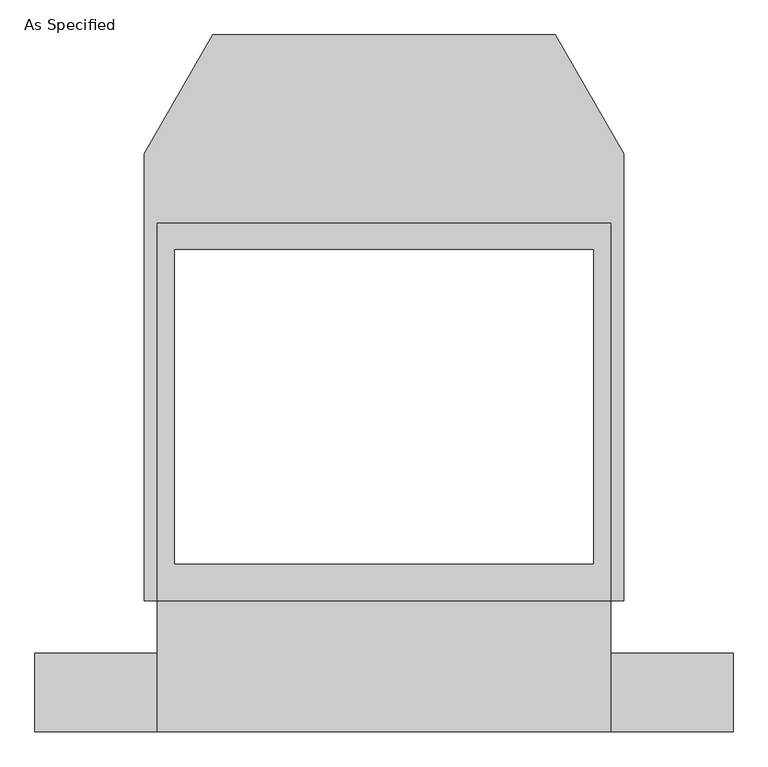
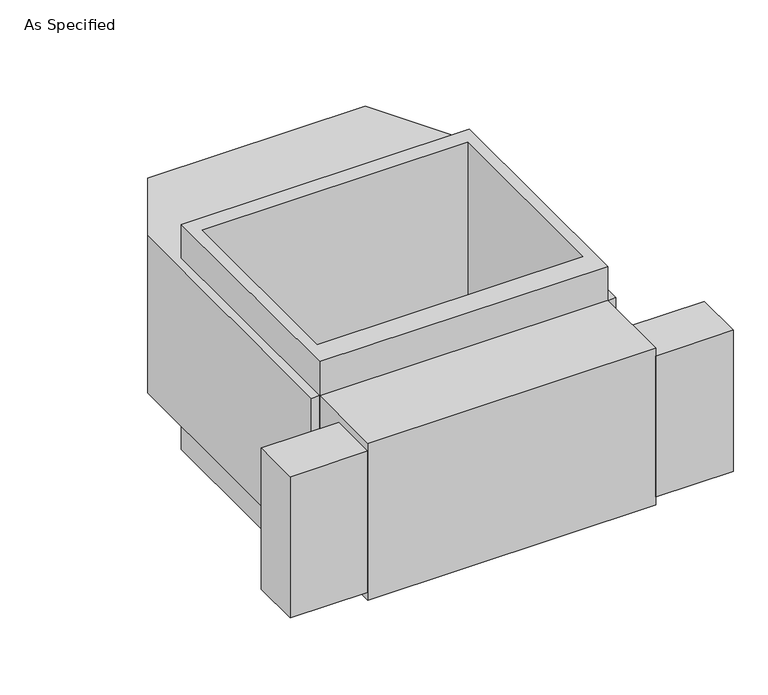
"""IFC4 building model written with IfcOpenShell, lengths in millimetres: proxy geometry, As Specified."""

from ifc_helpers import new_model, si_unit, frame, origin, place, context, project, spatial, polyline, outline, extrude, source, transform, mapped, element, save


def as_specified_be0c36be(model_context):
    return source(origin(), model_context, "Body", "SweptSolid", [
        extrude(outline(polyline([(660.4, -1014.1148438), (660.4, -785.5148438), (1016.0, -785.5148438), (1016.0, -1014.1148438), (660.4, -1014.1148438)])), frame((0.0, 0.0, -749.3), z_axis=(0.0, 0.0, 1.0), x_axis=(1.0, 0.0, 0.0)), (0.0, 0.0, 1.0), 685.8),
        extrude(outline(polyline([(-660.4, -1014.1148438), (-1016.0, -1014.1148438), (-1016.0, -785.5148438), (-660.4, -785.5148438), (-660.4, -1014.1148438)])), frame((0.0, 0.0, -749.3), z_axis=(0.0, 0.0, 1.0), x_axis=(1.0, 0.0, 0.0)), (0.0, 0.0, 1.0), 685.8),
        extrude(outline(polyline([(660.4, 465.4351562), (660.4, -633.1148438), (-660.4, -633.1148438), (-660.4, 465.4351562), (660.4, 465.4351562)]), holes=[polyline([(-609.6, 389.2748437), (-609.6, -525.1251563), (609.6, -525.1251563), (609.6, 389.2748437), (-609.6, 389.2748437)])]), frame((0.0, 0.0, -952.5), z_axis=(0.0, 0.0, 1.0), x_axis=(1.0, 0.0, 0.0)), (0.0, 0.0, 1.0), 1092.2),
        extrude(outline(polyline([(660.4, -1014.1148438), (-660.4, -1014.1148438), (-660.4, -633.1148438), (-698.5, -633.1148438), (-698.5, 668.6748437), (-499.060123, 1014.1148437), (499.060123, 1014.1148437), (698.5, 668.6748437), (698.5, -633.1148438), (660.4, -633.1148438), (660.4, -1014.1148438)]), holes=[polyline([(609.6, -525.1251563), (609.6, 389.2748437), (-609.6, 389.2748437), (-609.6, -525.1251563), (609.6, -525.1251563)])]), frame((0.0, 0.0, -787.4), z_axis=(0.0, 0.0, 1.0), x_axis=(1.0, 0.0, 0.0)), (0.0, 0.0, 1.0), 762.0),
    ])


if __name__ == "__main__":
    model = new_model("IFC4")
    model_context = context("Model", 3, world=origin())
    ifc_project = project(units=[si_unit("LENGTHUNIT", "METRE", prefix="MILLI")], contexts=[model_context])
    site = spatial("IfcSite", under=ifc_project)
    building = spatial("IfcBuilding", under=site)
    placement = place(None, origin())
    as_specified_shape = as_specified_be0c36be(model_context)
    element("IfcBuildingElementProxy", 1, Name="As Specified", ObjectType="As Specified", at=placement, inside=building, context=model_context, shape_type="MappedRepresentation", body=[
        mapped(as_specified_shape, transform((0.0, 0.0, 0.0), x_axis=(1.0, 0.0, 0.0), y_axis=(0.0, 1.0, 0.0), z_axis=(0.0, 0.0, 1.0))),
    ])
    save(model, "model.ifc")
